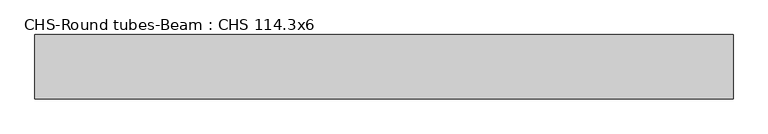
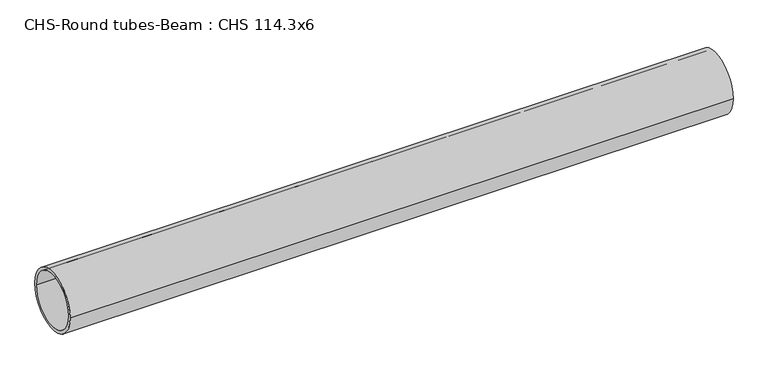
"""IFC4 building model written with IfcOpenShell, lengths in millimetres: beam geometry, CHS-Round tubes-Beam : CHS 114.3x6."""

from ifc_helpers import new_model, si_unit, point, frame, origin, origin_2d, place, context, project, spatial, circle_curve, trimmed, segment, composite_curve, outline, extrude, source, transform, mapped, element, save


def chs_round_tubes_beam_chs_114_3x6_2d3959c4(model_context):
    return source(origin(), model_context, "Body", "SweptSolid", [
        extrude(outline(composite_curve([segment(trimmed(circle_curve(origin_2d(), 57.15), [point((57.15, 0.0))], [point((-57.15, 0.0))], False, "CARTESIAN"), True, "CONTINUOUS"), segment(trimmed(circle_curve(origin_2d(), 57.15), [point((-57.15, 0.0))], [point((57.15, 0.0))], False, "CARTESIAN"), True, "CONTINUOUS")], self_intersect=False), holes=[composite_curve([segment(trimmed(circle_curve(origin_2d(), 51.15), [point((51.15, 0.0))], [point((-51.15, 0.0))], True, "CARTESIAN"), True, "CONTINUOUS"), segment(trimmed(circle_curve(origin_2d(), 51.15), [point((-51.15, 0.0))], [point((51.15, 0.0))], True, "CARTESIAN"), True, "CONTINUOUS")], self_intersect=False)]), frame((-620.7981588, 0.0, 0.0), z_axis=(1.0, 0.0, 0.0), x_axis=(0.0, 1.0, 0.0)), (0.0, 0.0, 1.0), 1241.5950297),
    ])


if __name__ == "__main__":
    model = new_model("IFC4")
    model_context = context("Model", 3, world=origin())
    ifc_project = project(units=[si_unit("LENGTHUNIT", "METRE", prefix="MILLI")], contexts=[model_context])
    site = spatial("IfcSite", under=ifc_project)
    building = spatial("IfcBuilding", under=site)
    placement = place(None, origin())
    chs_round_tubes_beam_chs_114_3x6_shape = chs_round_tubes_beam_chs_114_3x6_2d3959c4(model_context)
    element("IfcBeam", 1, ObjectType="CHS-Round tubes-Beam : CHS 114.3x6", at=placement, inside=building, context=model_context, shape_type="MappedRepresentation", body=[
        mapped(chs_round_tubes_beam_chs_114_3x6_shape, transform((0.0, 0.0, 0.0), x_axis=(1.0, 0.0, 0.0), y_axis=(0.0, 1.0, 0.0), z_axis=(0.0, 0.0, 1.0))),
    ])
    save(model, "model.ifc")
